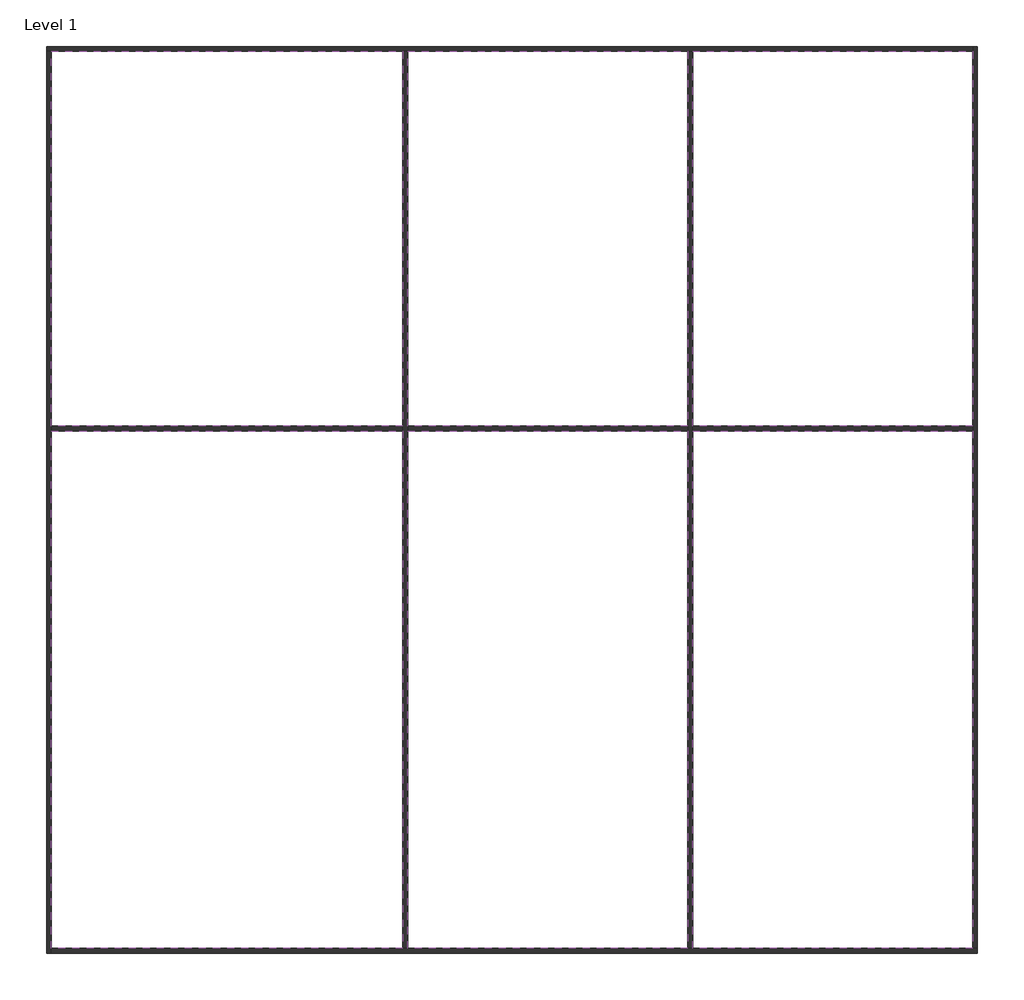
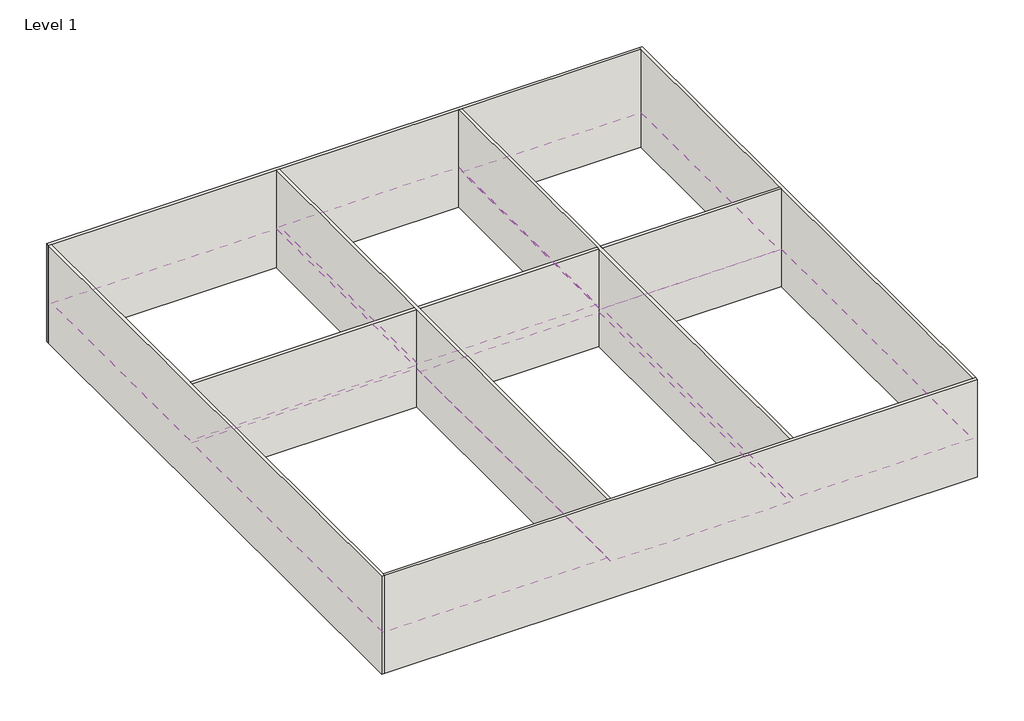
# One storey: 7 walls, 6 coverings.
"""IFC4 building model written with IfcOpenShell, lengths in millimetres."""

from ifc_helpers import new_model, si_unit, frame, origin, origin_with_axes, place, context, project, spatial, polyline, outline, extrude, faceted_brep, element, save

model = new_model("IFC4")

# Units and contexts
model_context = context("Model", 3, world=origin())
ifc_project = project(units=[si_unit("LENGTHUNIT", "METRE", prefix="MILLI")], contexts=[model_context])

# Site, building, storey
site = spatial("IfcSite", under=ifc_project)
building = spatial("IfcBuilding", under=site)
storey = spatial("IfcBuildingStorey", under=building, Name="Level 1", Elevation=0.0)

# Coverings
placement = place(None, origin())
element("IfcCovering", 1, ObjectType="CE-009_TIMBER ACOUSTIC PANEL", at=placement, inside=storey, context=model_context, shape_type="SweptSolid", body=[
    extrude(outline(polyline([(6380.4861306, 3458.0989493), (-5416.3138694, 3458.0989493), (-5416.3138694, 19254.8989493), (6380.4861306, 19254.8989493), (6380.4861306, 3458.0989493)])), frame((0.0, 0.0, 2800.0), z_axis=(0.0, 0.0, 1.0), x_axis=(1.0, 0.0, 0.0)), (0.0, 0.0, 1.0), 90.0),
])
element("IfcCovering", 2, ObjectType="CE-009_TIMBER ACOUSTIC PANEL", at=placement, inside=storey, context=model_context, shape_type="SweptSolid", body=[
    extrude(outline(polyline([(18380.4861306, 3458.0989493), (6583.6861306, 3458.0989493), (6583.6861306, 19254.8989493), (18380.4861306, 19254.8989493), (18380.4861306, 3458.0989493)])), frame((0.0, 0.0, 2400.0), z_axis=(0.0, 0.0, 1.0), x_axis=(1.0, 0.0, 0.0)), (0.0, 0.0, 1.0), 90.0),
])
element("IfcCovering", 3, ObjectType="CE-009_TIMBER ACOUSTIC PANEL", at=placement, inside=storey, context=model_context, shape_type="SweptSolid", body=[
    extrude(outline(polyline([(-5619.5138694, 3458.0989493), (-20416.3138694, 3458.0989493), (-20416.3138694, 19254.8989493), (-5619.5138694, 19254.8989493), (-5619.5138694, 3458.0989493)])), frame((0.0, 0.0, 2720.0), z_axis=(0.0, 0.0, 1.0), x_axis=(1.0, 0.0, 0.0)), (0.0, 0.0, 1.0), 90.0),
])
element("IfcCovering", 4, ObjectType="CE-009_TIMBER ACOUSTIC PANEL", at=placement, inside=storey, context=model_context, shape_type="SweptSolid", body=[
    extrude(outline(polyline([(6380.4861306, -18541.9010507), (-5416.3138694, -18541.9010507), (-5416.3138694, 3254.8989493), (6380.4861306, 3254.8989493), (6380.4861306, -18541.9010507)])), frame((0.0, 0.0, 2400.0), z_axis=(0.0, 0.0, 1.0), x_axis=(1.0, 0.0, 0.0)), (0.0, 0.0, 1.0), 90.0),
])
element("IfcCovering", 5, ObjectType="CE-009_TIMBER ACOUSTIC PANEL", at=placement, inside=storey, context=model_context, shape_type="SweptSolid", body=[
    extrude(outline(polyline([(18380.4861306, -18541.9010507), (6583.6861306, -18541.9010507), (6583.6861306, 3254.8989493), (18380.4861306, 3254.8989493), (18380.4861306, -18541.9010507)])), frame((0.0, 0.0, 2600.0), z_axis=(0.0, 0.0, 1.0), x_axis=(1.0, 0.0, 0.0)), (0.0, 0.0, 1.0), 90.0),
])
element("IfcCovering", 6, ObjectType="CE-009_TIMBER ACOUSTIC PANEL", at=placement, inside=storey, context=model_context, shape_type="SweptSolid", body=[
    extrude(outline(polyline([(-5619.5138694, -18541.9010507), (-20416.3138694, -18541.9010507), (-20416.3138694, 3254.8989493), (-5619.5138694, 3254.8989493), (-5619.5138694, -18541.9010507)])), frame((0.0, 0.0, 2700.0), z_axis=(0.0, 0.0, 1.0), x_axis=(1.0, 0.0, 0.0)), (0.0, 0.0, 1.0), 90.0),
])

# Walls
element("IfcWall", 7, ObjectType="Generic - 8\"", at=placement, inside=storey, context=model_context, shape_type="Brep", body=[
    faceted_brep([(-20619.5138694, 19254.8989493, 0.0), (-20416.3138694, 19254.8989493, 0.0), (-5619.5138694, 19254.8989493, 0.0), (-5416.3138694, 19254.8989493, 0.0), (6380.4861306, 19254.8989493, 0.0), (6583.6861306, 19254.8989493, 0.0), (18380.4861306, 19254.8989493, 0.0), (18380.4861306, 19254.8989493, 6800.0), (6583.6861306, 19254.8989493, 6800.0), (6380.4861306, 19254.8989493, 6800.0), (-5416.3138694, 19254.8989493, 6800.0), (-5619.5138694, 19254.8989493, 6800.0), (-20416.3138694, 19254.8989493, 6800.0), (-20619.5138694, 19254.8989493, 6800.0), (-20619.5138694, 19458.0989493, 0.0), (-20619.5138694, 19458.0989493, 6800.0), (18380.4861306, 19458.0989493, 6800.0), (18380.4861306, 19458.0989493, 0.0)], [[[0, 1, 2, 3, 4, 5, 6, 7, 8, 9, 10, 11, 12, 13]], [[14, 15, 16, 17]], [[6, 5, 4, 3, 2, 1, 0, 14, 17]], [[13, 12, 11, 10, 9, 8, 7, 16, 15]], [[0, 13, 15, 14]], [[7, 6, 17, 16]]]),
])
element("IfcWall", 8, ObjectType="Generic - 8\"", at=placement, inside=storey, context=model_context, shape_type="Brep", body=[
    faceted_brep([(-20416.3138694, -18745.1010507, 0.0), (-20416.3138694, -18541.9010507, 0.0), (-20416.3138694, 3254.8989493, 0.0), (-20416.3138694, 3458.0989493, 0.0), (-20416.3138694, 19254.8989493, 0.0), (-20416.3138694, 19254.8989493, 6800.0), (-20416.3138694, 3458.0989493, 6800.0), (-20416.3138694, 3254.8989493, 6800.0), (-20416.3138694, -18541.9010507, 6800.0), (-20416.3138694, -18745.1010507, 6800.0), (-20619.5138694, -18745.1010507, 0.0), (-20619.5138694, -18745.1010507, 6800.0), (-20619.5138694, 19254.8989493, 6800.0), (-20619.5138694, 19254.8989493, 0.0)], [[[0, 1, 2, 3, 4, 5, 6, 7, 8, 9]], [[10, 11, 12, 13]], [[4, 3, 2, 1, 0, 10, 13]], [[9, 8, 7, 6, 5, 12, 11]], [[0, 9, 11, 10]], [[5, 4, 13, 12]]]),
])
element("IfcWall", 9, ObjectType="Generic - 8\"", at=placement, inside=storey, context=model_context, shape_type="Brep", body=[
    faceted_brep([(18583.6861306, -18541.9010507, 0.0), (18380.4861306, -18541.9010507, 0.0), (6583.6861306, -18541.9010507, 0.0), (6380.4861306, -18541.9010507, 0.0), (-5416.3138694, -18541.9010507, 0.0), (-5619.5138694, -18541.9010507, 0.0), (-20416.3138694, -18541.9010507, 0.0), (-20416.3138694, -18541.9010507, 6800.0), (-5619.5138694, -18541.9010507, 6800.0), (-5416.3138694, -18541.9010507, 6800.0), (6380.4861306, -18541.9010507, 6800.0), (6583.6861306, -18541.9010507, 6800.0), (18380.4861306, -18541.9010507, 6800.0), (18583.6861306, -18541.9010507, 6800.0), (18583.6861306, -18745.1010507, 0.0), (18583.6861306, -18745.1010507, 6800.0), (-20416.3138694, -18745.1010507, 6800.0), (-20416.3138694, -18745.1010507, 0.0)], [[[0, 1, 2, 3, 4, 5, 6, 7, 8, 9, 10, 11, 12, 13]], [[14, 15, 16, 17]], [[6, 5, 4, 3, 2, 1, 0, 14, 17]], [[13, 12, 11, 10, 9, 8, 7, 16, 15]], [[0, 13, 15, 14]], [[7, 6, 17, 16]]]),
])
element("IfcWall", 10, ObjectType="Generic - 8\"", at=placement, inside=storey, context=model_context, shape_type="Brep", body=[
    faceted_brep([(18380.4861306, 19458.0989493, 0.0), (18380.4861306, 19254.8989493, 0.0), (18380.4861306, 3458.0989493, 0.0), (18380.4861306, 3254.8989493, 0.0), (18380.4861306, -18541.9010507, 0.0), (18380.4861306, -18541.9010507, 6800.0), (18380.4861306, 3254.8989493, 6800.0), (18380.4861306, 3458.0989493, 6800.0), (18380.4861306, 19254.8989493, 6800.0), (18380.4861306, 19458.0989493, 6800.0), (18583.6861306, 19458.0989493, 0.0), (18583.6861306, 19458.0989493, 6800.0), (18583.6861306, -18541.9010507, 6800.0), (18583.6861306, -18541.9010507, 0.0)], [[[0, 1, 2, 3, 4, 5, 6, 7, 8, 9]], [[10, 11, 12, 13]], [[4, 3, 2, 1, 0, 10, 13]], [[9, 8, 7, 6, 5, 12, 11]], [[0, 9, 11, 10]], [[5, 4, 13, 12]]]),
])
element("IfcWall", 11, ObjectType="Generic - 8\"", at=placement, inside=storey, context=model_context, shape_type="Brep", body=[
    faceted_brep([(-5619.5138694, 19254.8989493, 0.0), (-5619.5138694, 3458.0989493, 0.0), (-5619.5138694, 3254.8989493, 0.0), (-5619.5138694, -18541.9010507, 0.0), (-5619.5138694, -18541.9010507, 6800.0), (-5619.5138694, 3254.8989493, 6800.0), (-5619.5138694, 3458.0989493, 6800.0), (-5619.5138694, 19254.8989493, 6800.0), (-5416.3138694, 19254.8989493, 0.0), (-5416.3138694, 19254.8989493, 6800.0), (-5416.3138694, 3458.0989493, 6800.0), (-5416.3138694, 3254.8989493, 6800.0), (-5416.3138694, -18541.9010507, 6800.0), (-5416.3138694, -18541.9010507, 0.0), (-5416.3138694, 3254.8989493, 0.0), (-5416.3138694, 3458.0989493, 0.0)], [[[0, 1, 2, 3, 4, 5, 6, 7]], [[8, 9, 10, 11, 12, 13, 14, 15]], [[3, 2, 1, 0, 8, 15, 14, 13]], [[7, 6, 5, 4, 12, 11, 10, 9]], [[0, 7, 9, 8]], [[4, 3, 13, 12]]]),
])
element("IfcWall", 12, ObjectType="Generic - 8\"", at=placement, inside=storey, context=model_context, shape_type="Brep", body=[
    faceted_brep([(6380.4861306, 19254.8989493, 0.0), (6380.4861306, 3458.0989493, 0.0), (6380.4861306, 3254.8989493, 0.0), (6380.4861306, -18541.9010507, 0.0), (6380.4861306, -18541.9010507, 6800.0), (6380.4861306, 3254.8989493, 6800.0), (6380.4861306, 3458.0989493, 6800.0), (6380.4861306, 19254.8989493, 6800.0), (6583.6861306, 19254.8989493, 0.0), (6583.6861306, 19254.8989493, 6800.0), (6583.6861306, 3458.0989493, 6800.0), (6583.6861306, 3254.8989493, 6800.0), (6583.6861306, -18541.9010507, 6800.0), (6583.6861306, -18541.9010507, 0.0), (6583.6861306, 3254.8989493, 0.0), (6583.6861306, 3458.0989493, 0.0)], [[[0, 1, 2, 3, 4, 5, 6, 7]], [[8, 9, 10, 11, 12, 13, 14, 15]], [[3, 2, 1, 0, 8, 15, 14, 13]], [[7, 6, 5, 4, 12, 11, 10, 9]], [[0, 7, 9, 8]], [[4, 3, 13, 12]]]),
])
element("IfcWall", 13, ObjectType="Generic - 8\"", at=placement, inside=storey, context=model_context, shape_type="SweptSolid", body=[
    extrude(outline(polyline([(-20416.3138694, 3254.8989493), (-20416.3138694, 3458.0989493), (-5619.5138694, 3458.0989493), (-5619.5138694, 3254.8989493), (-20416.3138694, 3254.8989493)])), origin_with_axes(), (0.0, 0.0, 1.0), 6800.0),
    extrude(outline(polyline([(18380.4861306, 3458.0989493), (18380.4861306, 3254.8989493), (6583.6861306, 3254.8989493), (6583.6861306, 3458.0989493), (18380.4861306, 3458.0989493)])), origin_with_axes(), (0.0, 0.0, 1.0), 6800.0),
    extrude(outline(polyline([(-5416.3138694, 3254.8989493), (-5416.3138694, 3458.0989493), (6380.4861306, 3458.0989493), (6380.4861306, 3254.8989493), (-5416.3138694, 3254.8989493)])), origin_with_axes(), (0.0, 0.0, 1.0), 6800.0),
])

save(model, "model.ifc")
